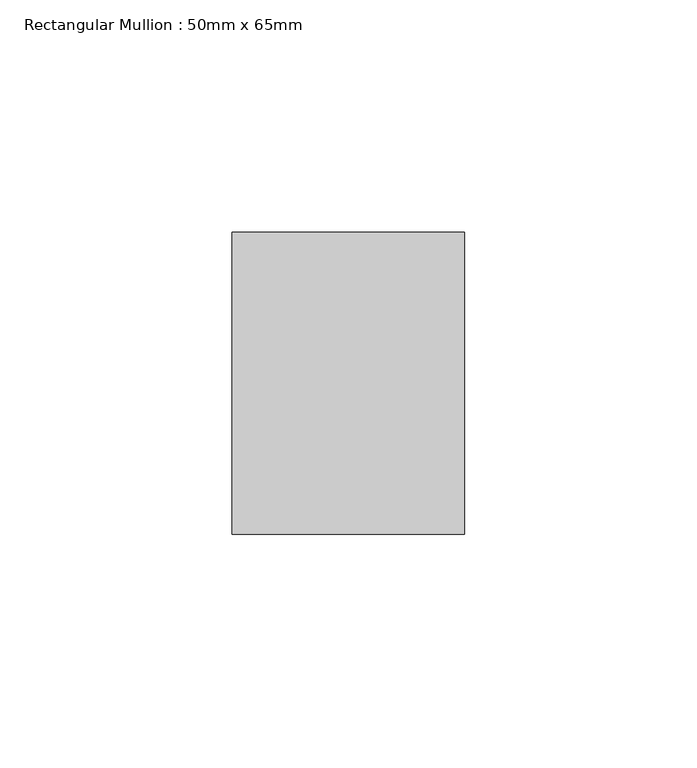
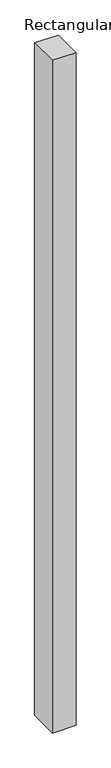
"""IFC4 building model written with IfcOpenShell, lengths in millimetres: member geometry, Rectangular Mullion : 50mm x 65mm."""

from ifc_helpers import new_model, si_unit, origin, place, context, project, spatial, faceted_brep, source, transform, mapped, element, save


def rectangular_mullion_50mm_x_65mm_c7b75d20(model_context):
    return source(origin(), model_context, "Body", "Brep", [
        faceted_brep([(-25.0, 32.5, -0.2664465), (25.0, 32.5, -0.2664483), (25.0, 32.5, -1499.6464169), (-25.0, 32.5, -1499.6464193), (-25.0, -32.5, 0.2664483), (-25.0, -32.5, -1500.3537593), (25.0, -32.5, 0.2664465), (25.0, -32.5, -1500.353757)], [[[0, 1, 2, 3]], [[4, 0, 3, 5]], [[6, 4, 5, 7]], [[1, 6, 7, 2]], [[1, 0, 4, 6]], [[2, 7, 5, 3]]]),
    ])


if __name__ == "__main__":
    model = new_model("IFC4")
    model_context = context("Model", 3, world=origin())
    ifc_project = project(units=[si_unit("LENGTHUNIT", "METRE", prefix="MILLI")], contexts=[model_context])
    site = spatial("IfcSite", under=ifc_project)
    building = spatial("IfcBuilding", under=site)
    placement = place(None, origin())
    rectangular_mullion_50mm_x_65mm_shape = rectangular_mullion_50mm_x_65mm_c7b75d20(model_context)
    element("IfcMember", 1, ObjectType="Rectangular Mullion : 50mm x 65mm", at=placement, inside=building, context=model_context, shape_type="MappedRepresentation", body=[
        mapped(rectangular_mullion_50mm_x_65mm_shape, transform((0.0, 0.0, 0.0), x_axis=(1.0, 0.0, 0.0), y_axis=(0.0, 1.0, 0.0), z_axis=(0.0, 0.0, 1.0))),
    ])
    save(model, "model.ifc")
